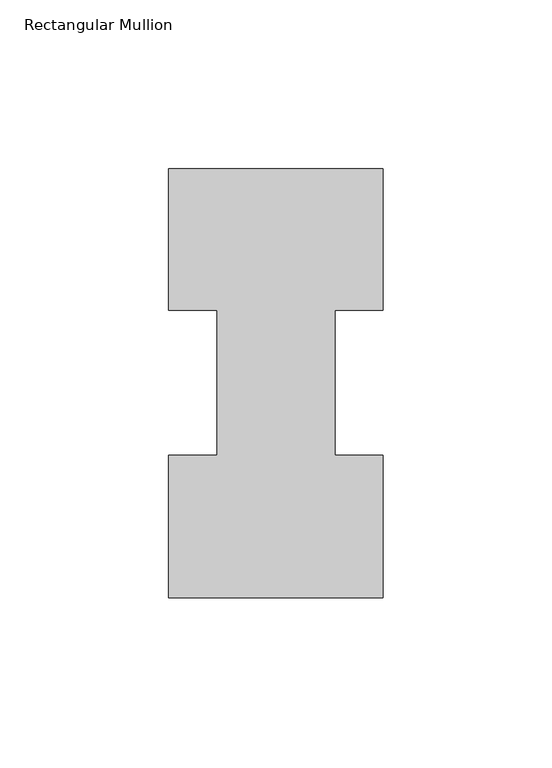
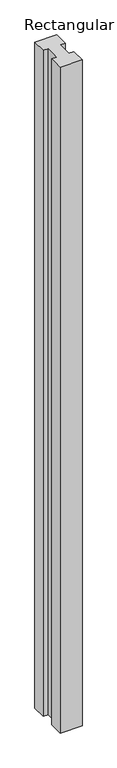
"""IFC4 building model written with IfcOpenShell, lengths in millimetres: member geometry, Rectangular Mullion."""

from ifc_helpers import new_model, si_unit, frame, origin, place, context, project, spatial, polyline, outline, extrude, source, transform, mapped, element, save


def rectangular_mullion_cae0dc81(model_context):
    return source(origin(), model_context, "Body", "SweptSolid", [
        extrude(outline(polyline([(31.7494574, 126.9888875), (31.7494574, 85.1296875), (17.5682137, 85.1296875), (17.5682137, 42.2798875), (31.75, 42.2798875), (31.75, -0.0111125), (-31.7494574, -0.0111125), (-31.7494574, 42.2798875), (-17.4644974, 42.2798875), (-17.4644974, 85.1296875), (-31.7494574, 85.1296875), (-31.7494574, 126.9888875), (31.7494574, 126.9888875)])), frame((0.0, 0.0, -2044.4591858), z_axis=(0.0, 0.0, 1.0), x_axis=(1.0, 0.0, 0.0)), (0.0, 0.0, 1.0), 2044.4591858),
    ])


if __name__ == "__main__":
    model = new_model("IFC4")
    model_context = context("Model", 3, world=origin())
    ifc_project = project(units=[si_unit("LENGTHUNIT", "METRE", prefix="MILLI")], contexts=[model_context])
    site = spatial("IfcSite", under=ifc_project)
    building = spatial("IfcBuilding", under=site)
    placement = place(None, origin())
    rectangular_mullion_shape = rectangular_mullion_cae0dc81(model_context)
    element("IfcMember", 1, ObjectType="Rectangular Mullion", at=placement, inside=building, context=model_context, shape_type="MappedRepresentation", body=[
        mapped(rectangular_mullion_shape, transform((0.0, 0.0, 0.0), x_axis=(1.0, 0.0, 0.0), y_axis=(0.0, 1.0, 0.0), z_axis=(0.0, 0.0, 1.0))),
    ])
    save(model, "model.ifc")
